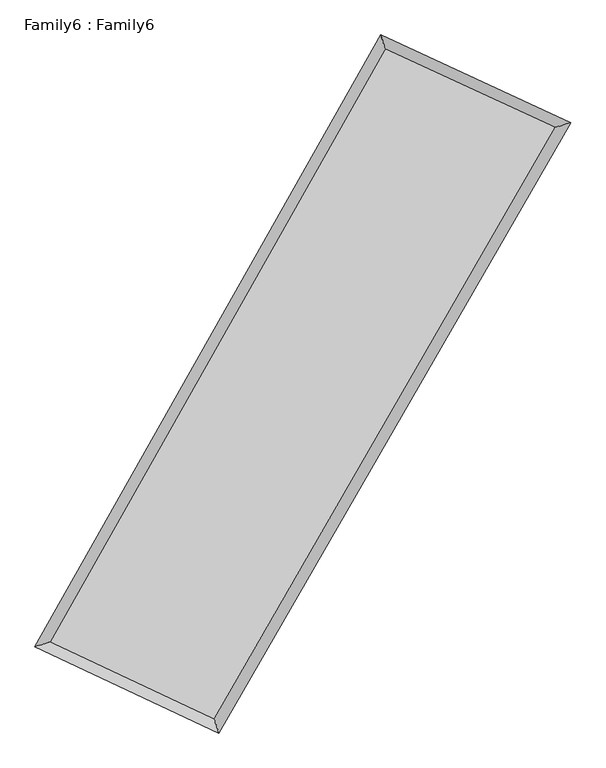
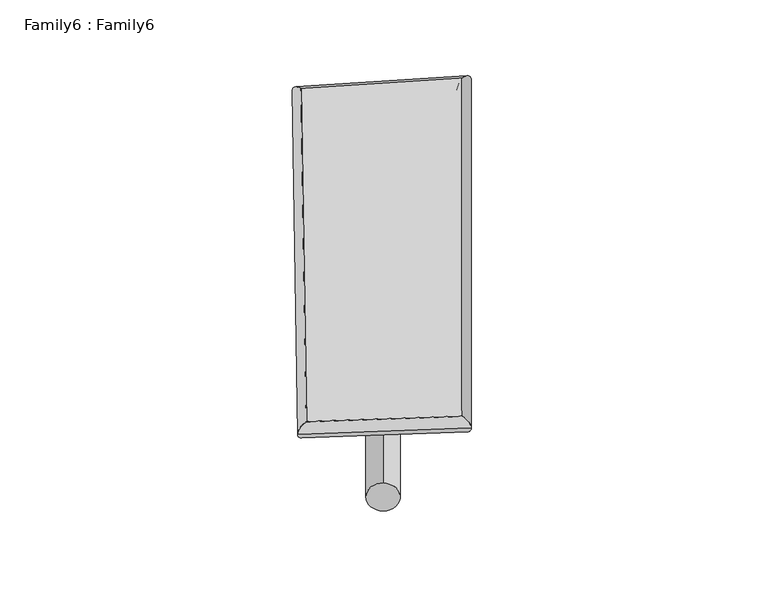
"""IFC4 building model written with IfcOpenShell, lengths in millimetres: plate geometry, Family6 : Family6."""

from ifc_helpers import new_model, si_unit, point, frame, origin, origin_2d, place, context, project, spatial, circle_curve, ellipse_curve, trimmed, segment, composite_curve, outline, extrude, source, transform, mapped, element, save
from ifc_brep_helpers import plane_surface, cylinder_surface, spline_surface, advanced_brep


def family6_family6_416dfced(model_context):
    return source(origin(), model_context, "Body", "SolidModel", [
        extrude(outline(composite_curve([segment(trimmed(circle_curve(origin_2d(), 76.2), [point((-75.4341515, -10.7763073))], [point((75.4341515, 10.7763073))], False, "CARTESIAN"), True, "CONTINUOUS"), segment(trimmed(circle_curve(origin_2d(), 76.2), [point((75.4341515, 10.7763073))], [point((-75.4341515, -10.7763073))], False, "CARTESIAN"), True, "CONTINUOUS")], self_intersect=False)), frame((9144.0, 9144.0, 0.0), z_axis=(0.6789939855247307, 0.6835371072490227, 0.26785106054462454), x_axis=(-0.6753459421588327, 0.7246247555018477, -0.1372108673665686)), (0.0, 0.0, 1.0), 5768.7168055),
        extrude(outline(composite_curve([segment(trimmed(circle_curve(origin_2d(), 76.2), [point((-53.8815367, 53.8815367))], [point((53.8815367, -53.8815367))], False, "CARTESIAN"), True, "CONTINUOUS"), segment(trimmed(circle_curve(origin_2d(), 76.2), [point((53.8815367, -53.8815367))], [point((-53.8815367, 53.8815367))], False, "CARTESIAN"), True, "CONTINUOUS")], self_intersect=False)), frame((9144.0, 9144.0, 0.0), z_axis=(-0.6736180619319796, -0.6883405123201274, 0.2691208757006196), x_axis=(0.6396836030614512, -0.3606127942687365, 0.6787954777280221)), (0.0, 0.0, 1.0), 5742.9173814),
        extrude(outline(composite_curve([segment(trimmed(circle_curve(origin_2d(), 76.2), [point((-53.8815368, -53.8815367))], [point((53.8815368, 53.8815367))], False, "CARTESIAN"), True, "CONTINUOUS"), segment(trimmed(circle_curve(origin_2d(), 76.2), [point((53.8815368, 53.8815367))], [point((-53.8815368, -53.8815367))], False, "CARTESIAN"), True, "CONTINUOUS")], self_intersect=False)), frame((9144.0, 9144.0, 0.0), z_axis=(0.23235234455821913, 0.933894404485395, 0.27176024221575934), x_axis=(-0.8470984164016644, 0.3316045237092392, -0.41528630218845536)), (0.0, 0.0, 1.0), 5522.9531383),
        extrude(outline(composite_curve([segment(trimmed(circle_curve(origin_2d(), 76.2), [point((-75.4341514, 10.7763073))], [point((75.4341514, -10.7763073))], False, "CARTESIAN"), True, "CONTINUOUS"), segment(trimmed(circle_curve(origin_2d(), 76.2), [point((75.4341514, -10.7763073))], [point((-75.4341514, 10.7763073))], False, "CARTESIAN"), True, "CONTINUOUS")], self_intersect=False)), frame((9144.0, 9144.0, 0.0), z_axis=(-0.24042799810728344, -0.9318931415975988, 0.2716055050426666), x_axis=(0.8884957642189603, -0.09861155061899089, 0.44816407603631525)), (0.0, 0.0, 1.0), 5523.6757231),
        advanced_brep(
        [(5062.0196913, 5122.9751139, 1542.690327), (5061.9719542, 5122.8959711, 1549.6745995), (5488.9145562, 5258.8595011, 1548.3875825), (10490.8321496, 14104.7239427, 1505.0658793), (10363.7100715, 14498.9861214, 1496.7722859), (5488.9622932, 5258.9386439, 1541.40331), (12845.4851224, 13018.6843971, 1544.6173106), (13276.3629079, 13155.5795985, 1545.6965181), (7753.9764577, 4194.0573334, 1501.03474), (7877.9309497, 3798.991621, 1499.4867289)],
        [
            (0, 1, ellipse_curve(frame((5275.4671237, 5190.9173075, 1545.5389547), z_axis=(-0.303407686604605, 0.9528209075387215, 0.008723179828996655), x_axis=(-0.9527282291220942, -0.3035054761783568, 0.013904940259751164)), 224.1102445, 152.4)),
            (1, 2, ellipse_curve(frame((5275.4671237, 5190.9173075, 1545.5389547), z_axis=(-0.303407686604605, 0.9528209075387215, 0.008723179828996655), x_axis=(-0.9527282291220942, -0.3035054761783568, 0.013904940259751164)), 224.1102445, 152.4)),
            (2, 3),
            (3, 4, ellipse_curve(frame((10427.2711106, 14301.8550321, 1500.9190826), z_axis=(-0.9516779732787162, -0.3070069329154873, -0.007468488330353825), x_axis=(0.306881258417819, -0.9516388051530725, 0.014404088264382284)), 207.1690487, 152.4)),
            (4, 0),
            (2, 5, ellipse_curve(frame((5275.4671237, 5190.9173075, 1545.5389547), z_axis=(-0.303407686604605, 0.9528209075387215, 0.008723179828996655), x_axis=(-0.9527282291220942, -0.3035054761783568, 0.013904940259751164)), 224.1102445, 152.4)),
            (5, 0, ellipse_curve(frame((5275.4671237, 5190.9173075, 1545.5389547), z_axis=(-0.303407686604605, 0.9528209075387215, 0.008723179828996655), x_axis=(-0.9527282291220942, -0.3035054761783568, 0.013904940259751164)), 224.1102445, 152.4)),
            (4, 3, ellipse_curve(frame((10427.2711106, 14301.8550321, 1500.9190826), z_axis=(-0.9516779732787162, -0.3070069329154873, -0.007468488330353825), x_axis=(0.306881258417819, -0.9516388051530725, 0.014404088264382284)), 207.1690487, 152.4)),
            (3, 6),
            (6, 7, ellipse_curve(frame((13060.9240151, 13087.1319978, 1545.1569143), z_axis=(-0.30276880409230045, 0.9530292809233338, -0.008138855648778101), x_axis=(-0.9529449760596054, -0.3028549202724647, -0.013220055579190888)), 226.0674257, 152.4)),
            (7, 4),
            (7, 6, ellipse_curve(frame((13060.9240151, 13087.1319978, 1545.1569143), z_axis=(-0.30276880409230045, 0.9530292809233338, -0.008138855648778101), x_axis=(-0.9529449760596054, -0.3028549202724647, -0.013220055579190888)), 226.0674257, 152.4)),
            (6, 8),
            (8, 9, ellipse_curve(frame((7815.9537037, 3996.5244772, 1500.2607345), z_axis=(0.9540980823293455, 0.2993861501776375, -0.008048750044476553), x_axis=(-0.29924608195721264, 0.9540569177931069, 0.015072492971428255)), 207.0402465, 152.4)),
            (9, 7),
            (9, 8, ellipse_curve(frame((7815.9537037, 3996.5244772, 1500.2607345), z_axis=(0.9540980823293455, 0.2993861501776375, -0.008048750044476553), x_axis=(-0.29924608195721264, 0.9540569177931069, 0.015072492971428255)), 207.0402465, 152.4)),
            (8, 5),
            (1, 9),
        ],
        [
            cylinder_surface(frame((5275.4671237, 5190.9173075, 1545.5389547), z_axis=(-0.4922079877371692, -0.8704671868858425, 0.00426302272748276), x_axis=(-0.870287945345982, 0.4919926012266181, -0.02328459842332344)), 152.4),
            cylinder_surface(frame((10427.2711106, 14301.8550321, 1500.9190826), z_axis=(-0.9079598849168824, 0.41877947715629255, -0.015251127644344758), x_axis=(0.41897424297027586, 0.907902647768131, -0.013166848639714202)), 152.4),
            cylinder_surface(frame((13060.9240151, 13087.1319978, 1545.1569143), z_axis=(0.4997456930059303, 0.8661616149285901, 0.004277750146929295), x_axis=(0.8661714206957718, -0.4997456930059303, -0.0011455530938916916)), 152.4),
            cylinder_surface(frame((7815.9537037, 3996.5244772, 1500.2607345), z_axis=(0.9048560711933017, -0.4254120499680697, -0.016126939157423435), x_axis=(-0.42530485065555157, -0.9049976436037878, 0.009749311793690393)), 152.4),
        ],
        [
            (0, [[1, 2, 3, 4, 5]]),
            (0, [[6, 7, -5, 8, -3]]),
            (1, [[-4, 9, 10, 11]]),
            (1, [[-8, -11, 12, -9]]),
            (2, [[-10, 13, 14, 15]]),
            (2, [[-12, -15, 16, -13]]),
            (3, [[-14, 17, -6, -2, 18]]),
            (3, [[-16, -18, -1, -7, -17]]),
        ],
    ),
        extrude(outline(composite_curve([segment(trimmed(circle_curve(origin_2d(), 304.8), [point((1e-07, 304.8))], [point((0.0, -304.8))], False, "CARTESIAN"), True, "CONTINUOUS"), segment(trimmed(circle_curve(origin_2d(), 304.8), [point((0.0, -304.8))], [point((1e-07, 304.8))], False, "CARTESIAN"), True, "CONTINUOUS")], self_intersect=False)), frame((11774.1530638, 13704.2583836, -0.0244786), z_axis=(-0.4996133885251616, -0.8662484989798165, 4.649856890699537e-06), x_axis=(-0.8662484989914018, 0.4996133885251615, -1.2448131953431737e-06)), (0.0, 0.0, 1.0), 10528.7533287),
        advanced_brep(
        [(5275.4671237, 5190.9173075, 1545.5389547), (7815.9537037, 3996.5244772, 1500.2607345), (7815.9434679, 3996.5272607, 1652.6607341), (5275.4568879, 5190.920091, 1697.9389544), (13060.9240151, 13087.1319978, 1545.1569143), (13060.9137793, 13087.1347813, 1697.556914), (10427.2711106, 14301.8550321, 1500.9190826), (10427.2608747, 14301.8578156, 1653.3190822)],
        [
            (0, 1),
            (1, 2),
            (2, 3),
            (3, 0),
            (1, 4),
            (4, 5),
            (5, 2),
            (4, 6),
            (6, 7),
            (7, 5),
            (6, 0),
            (3, 7),
        ],
        [
            plane_surface(frame((6545.7104137, 4593.7208923, 1522.8998446), z_axis=(-0.42546755676780545, -0.9049736780663292, -1.2047158279946714e-05), x_axis=(0.9048560711933017, -0.4254120499680695, -0.016126939157423442))),
            plane_surface(frame((10438.4388594, 8541.8282375, 1522.7088244), z_axis=(0.8661693942015596, -0.4997505137753746, 6.73034366941419e-05), x_axis=(0.49974569300592997, 0.8661616149285901, 0.004277750146929292))),
            plane_surface(frame((11744.0975629, 13694.4935149, 1523.0379985), z_axis=(0.4188280291270774, 0.9080655713571829, 1.1544746679032457e-05), x_axis=(-0.9079598849168823, 0.4187794771562925, -0.015251127644344763))),
            plane_surface(frame((7851.3691171, 9746.3861698, 1523.2290187), z_axis=(-0.870475236214077, 0.49221220889762274, -6.74549506730147e-05), x_axis=(-0.49220798773716934, -0.8704671868858422, 0.0042630227274827555))),
            spline_surface(1, 1, [[(7815.9434679, 3996.5272607, 1652.6607341), (5275.4568879, 5190.920091, 1697.9389544)], [(13060.9137793, 13087.1347813, 1697.556914), (10427.2608747, 14301.8578156, 1653.3190822)]], [2, 2], [2, 2], [0.0, 1.0], [0.0, 1.0]),
            spline_surface(1, 1, [[(10427.2711106, 14301.8550321, 1500.9190826), (5275.4671237, 5190.9173075, 1545.5389547)], [(13060.9240151, 13087.1319978, 1545.1569143), (7815.9537037, 3996.5244772, 1500.2607345)]], [2, 2], [2, 2], [0.0, 1.0], [0.0, 1.0]),
        ],
        [
            (0, [[1, 2, 3, 4]]),
            (1, [[5, 6, 7, -2]]),
            (2, [[8, 9, 10, -6]]),
            (3, [[11, -4, 12, -9]]),
            (4, [[-3, -7, -10, -12]]),
            (5, [[-11, -8, -5, -1]]),
        ],
    ),
    ])


if __name__ == "__main__":
    model = new_model("IFC4")
    model_context = context("Model", 3, world=origin())
    ifc_project = project(units=[si_unit("LENGTHUNIT", "METRE", prefix="MILLI")], contexts=[model_context])
    site = spatial("IfcSite", under=ifc_project)
    building = spatial("IfcBuilding", under=site)
    placement = place(None, origin())
    family6_family6_shape = family6_family6_416dfced(model_context)
    element("IfcPlate", 1, ObjectType="Family6 : Family6", at=placement, inside=building, context=model_context, shape_type="MappedRepresentation", body=[
        mapped(family6_family6_shape, transform((0.0, 0.0, 0.0), x_axis=(1.0, 0.0, 0.0), y_axis=(0.0, 1.0, 0.0), z_axis=(0.0, 0.0, 1.0))),
    ])
    save(model, "model.ifc")
